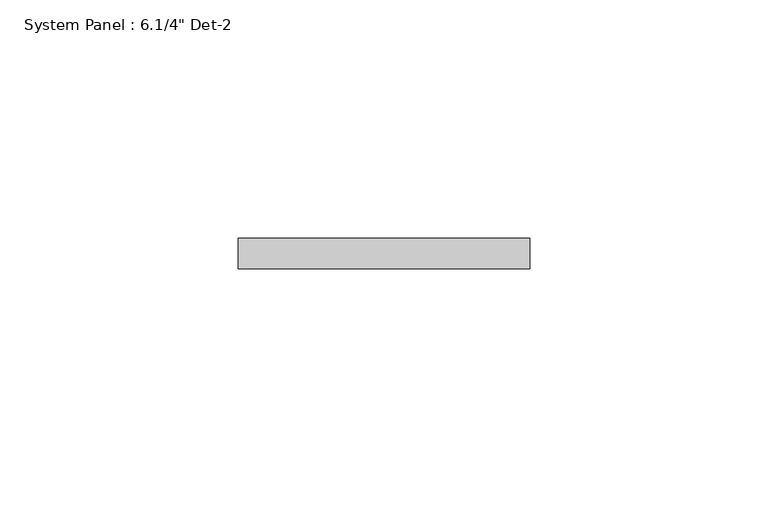
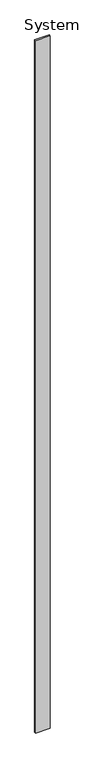
"""IFC4 building model written with IfcOpenShell, lengths in millimetres: plate geometry."""

from ifc_helpers import new_model, si_unit, origin, origin_with_axes, place, context, project, spatial, polyline, outline, extrude, source, transform, mapped, element, save


def plate_cad6f2d4(model_context):
    return source(origin(), model_context, "Body", "SweptSolid", [
        extrude(outline(polyline([(30.5351245, -6.35), (-30.5351245, -6.35), (-30.5351245, 0.0), (30.5351245, 0.0), (30.5351245, -6.35)])), origin_with_axes(), (0.0, 0.0, 1.0), 3048.0),
    ])


if __name__ == "__main__":
    model = new_model("IFC4")
    model_context = context("Model", 3, world=origin())
    ifc_project = project(units=[si_unit("LENGTHUNIT", "METRE", prefix="MILLI")], contexts=[model_context])
    site = spatial("IfcSite", under=ifc_project)
    building = spatial("IfcBuilding", under=site)
    placement = place(None, origin())
    plate_shape = plate_cad6f2d4(model_context)
    element("IfcPlate", 1, ObjectType="System Panel : 6.1/4\" Det-2", at=placement, inside=building, context=model_context, shape_type="MappedRepresentation", body=[
        mapped(plate_shape, transform((0.0, 0.0, 0.0), x_axis=(1.0, 0.0, 0.0), y_axis=(0.0, 1.0, 0.0), z_axis=(0.0, 0.0, 1.0))),
    ])
    save(model, "model.ifc")
